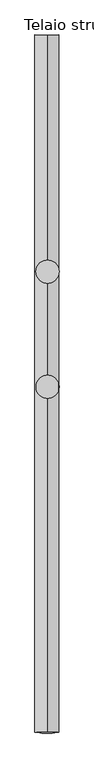
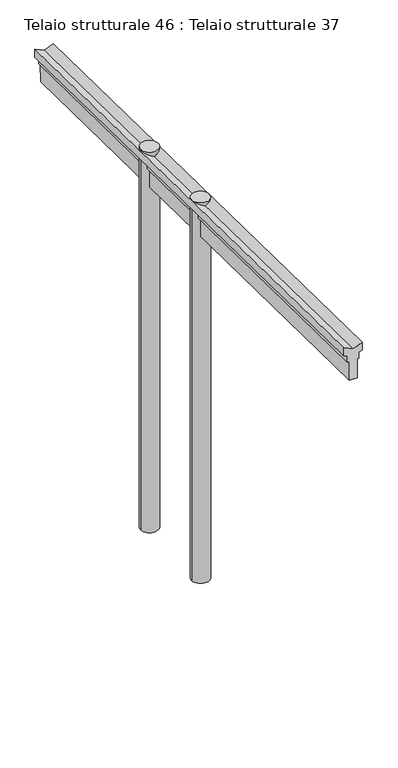
"""IFC4 building model written with IfcOpenShell, lengths in millimetres: beam geometry, Telaio strutturale 46 : Telaio strutturale 37."""

from ifc_helpers import new_model, si_unit, point, frame, frame_2d, origin, place, context, project, spatial, polyline, circle_curve, trimmed, segment, composite_curve, outline, extrude, source, transform, mapped, element, save


def telaio_strutturale_46_telaio_strutturale_37_df093078(model_context):
    return source(origin(), model_context, "Body", "SweptSolid", [
        extrude(outline(polyline([(55.0, 0.0), (90.6307787, 42.2618262), (110.3377919, 1e-07), (97.4462151, -15.290757), (112.2378542, -47.0115294), (103.1747764, -51.2377121), (149.6627852, -150.9315687), (108.8789348, -169.9493904), (62.390926, -70.2555339), (53.3278481, -74.4817165), (38.5362089, -42.7609439), (16.3319907, -42.7609439), (-3.607765, 0.0), (55.0, 0.0)])), frame((58396.1524102, 99921.9096789, -177.6942678), z_axis=(2.3026510564431654e-06, -0.9998668847666168, 0.016316027145080132), x_axis=(0.9061884721947285, -0.006897537941151485, -0.4228177820666181)), (0.0, 0.0, 1.0), 3014.9581714),
        extrude(outline(composite_curve([segment(trimmed(circle_curve(frame_2d((58447.3778651, 98898.9352677)), 50.0), [point((58397.3778651, 98898.9352677))], [point((58497.3778651, 98898.9352677))], False, "CARTESIAN"), True, "CONTINUOUS"), segment(trimmed(circle_curve(frame_2d((58447.3778651, 98898.9352677)), 50.0), [point((58497.3778651, 98898.9352677))], [point((58397.3778651, 98898.9352677))], False, "CARTESIAN"), True, "CONTINUOUS")], self_intersect=False)), frame((0.0, 0.0, -2420.5), z_axis=(0.0, 0.0, 1.0), x_axis=(1.0, 0.0, 0.0)), (0.0, 0.0, 1.0), 2267.4013682),
        extrude(outline(composite_curve([segment(trimmed(circle_curve(frame_2d((58447.3778651, 98400.2930077)), 50.0), [point((58397.3778651, 98400.2930077))], [point((58497.3778651, 98400.2930077))], False, "CARTESIAN"), True, "CONTINUOUS"), segment(trimmed(circle_curve(frame_2d((58447.3778651, 98400.2930077)), 50.0), [point((58497.3778651, 98400.2930077))], [point((58397.3778651, 98400.2930077))], False, "CARTESIAN"), True, "CONTINUOUS")], self_intersect=False)), frame((0.0, 0.0, -2420.5), z_axis=(0.0, 0.0, 1.0), x_axis=(1.0, 0.0, 0.0)), (0.0, 0.0, 1.0), 2267.4013682),
    ])


if __name__ == "__main__":
    model = new_model("IFC4")
    model_context = context("Model", 3, world=origin())
    ifc_project = project(units=[si_unit("LENGTHUNIT", "METRE", prefix="MILLI")], contexts=[model_context])
    site = spatial("IfcSite", under=ifc_project)
    building = spatial("IfcBuilding", under=site)
    placement = place(None, origin())
    telaio_strutturale_46_telaio_strutturale_37_shape = telaio_strutturale_46_telaio_strutturale_37_df093078(model_context)
    element("IfcBeam", 1, ObjectType="Telaio strutturale 46 : Telaio strutturale 37", at=placement, inside=building, context=model_context, shape_type="MappedRepresentation", body=[
        mapped(telaio_strutturale_46_telaio_strutturale_37_shape, transform((0.0, 0.0, 0.0), x_axis=(1.0, 0.0, 0.0), y_axis=(0.0, 1.0, 0.0), z_axis=(0.0, 0.0, 1.0))),
    ])
    save(model, "model.ifc")
